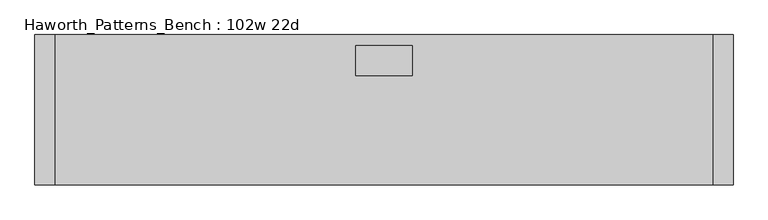
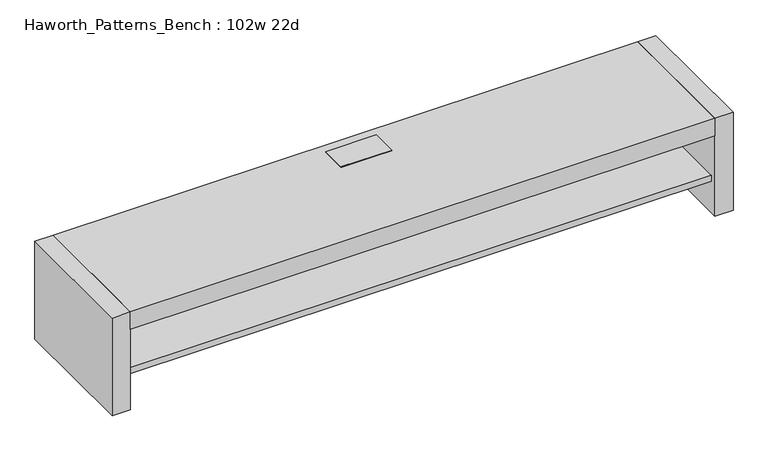
"""IFC4 building model written with IfcOpenShell, lengths in millimetres: furniture geometry, Haworth_Patterns_Bench : 102w 22d."""

from ifc_helpers import new_model, si_unit, frame, origin, origin_with_axes, place, context, project, spatial, polyline, outline, extrude, faceted_brep, source, transform, mapped, element, save


def haworth_patterns_bench_102w_22d_94a68a12(model_context):
    return source(origin(), model_context, "Body", "SolidModel", [
        faceted_brep([(105.56875, -39.6875, 434.975), (-105.56875, -39.6875, 434.975), (-105.56875, -150.8125, 434.975), (105.56875, -150.8125, 434.975), (105.56875, -39.6875, 431.8), (105.56875, -150.8125, 431.8), (-105.56875, -150.8125, 431.8), (-105.56875, -39.6875, 431.8), (102.39375, -44.45, 431.8), (-102.39375, -44.45, 431.8), (-102.39375, -146.05, 431.8), (102.39375, -146.05, 431.8), (102.39375, -44.45, 361.95), (102.39375, -146.05, 361.95), (-102.39375, -146.05, 361.95), (-102.39375, -44.45, 361.95)], [[[0, 1, 2, 3]], [[4, 5, 6, 7], [8, 9, 10, 11]], [[1, 0, 4, 7]], [[2, 1, 7, 6]], [[3, 2, 6, 5]], [[0, 3, 5, 4]], [[12, 13, 14, 15]], [[12, 15, 9, 8]], [[15, 14, 10, 9]], [[14, 13, 11, 10]], [[13, 12, 8, 11]]]),
        extrude(outline(polyline([(1219.2, 0.0), (1219.2, -558.8), (-1219.2, -558.8), (-1219.2, 0.0), (1219.2, 0.0)])), frame((0.0, 0.0, 355.6), z_axis=(0.0, 0.0, 1.0), x_axis=(1.0, 0.0, 0.0)), (0.0, 0.0, 1.0), 76.2),
        extrude(outline(polyline([(1219.2, -25.4), (1219.2, -533.4), (-1219.2, -533.4), (-1219.2, -25.4), (1219.2, -25.4)])), frame((0.0, 0.0, 139.7), z_axis=(0.0, 0.0, 1.0), x_axis=(1.0, 0.0, 0.0)), (0.0, 0.0, 1.0), 25.4),
        extrude(outline(polyline([(1219.2, -254.0), (1219.2, -304.8), (-1219.2, -304.8), (-1219.2, -254.0), (1219.2, -254.0)])), frame((0.0, 0.0, 165.1), z_axis=(0.0, 0.0, 1.0), x_axis=(1.0, 0.0, 0.0)), (0.0, 0.0, 1.0), 190.5),
        extrude(outline(polyline([(1219.2, 0.0), (1295.4, 0.0), (1295.4, -558.8), (1219.2, -558.8), (1219.2, 0.0)])), origin_with_axes(), (0.0, 0.0, 1.0), 431.8),
        extrude(outline(polyline([(-1219.2, 0.0), (-1219.2, -558.8), (-1295.4, -558.8), (-1295.4, 0.0), (-1219.2, 0.0)])), origin_with_axes(), (0.0, 0.0, 1.0), 431.8),
    ])


if __name__ == "__main__":
    model = new_model("IFC4")
    model_context = context("Model", 3, world=origin())
    ifc_project = project(units=[si_unit("LENGTHUNIT", "METRE", prefix="MILLI")], contexts=[model_context])
    site = spatial("IfcSite", under=ifc_project)
    building = spatial("IfcBuilding", under=site)
    placement = place(None, origin())
    haworth_patterns_bench_102w_22d_shape = haworth_patterns_bench_102w_22d_94a68a12(model_context)
    element("IfcFurniture", 1, ObjectType="Haworth_Patterns_Bench : 102w 22d", at=placement, inside=building, context=model_context, shape_type="MappedRepresentation", body=[
        mapped(haworth_patterns_bench_102w_22d_shape, transform((0.0, 0.0, 0.0), x_axis=(1.0, 0.0, 0.0), y_axis=(0.0, 1.0, 0.0), z_axis=(0.0, 0.0, 1.0))),
    ])
    save(model, "model.ifc")
